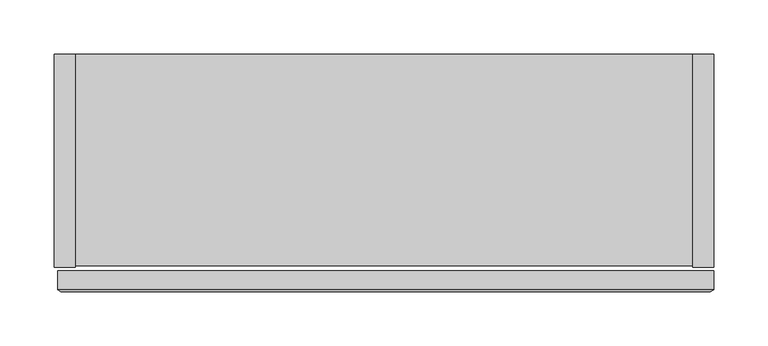
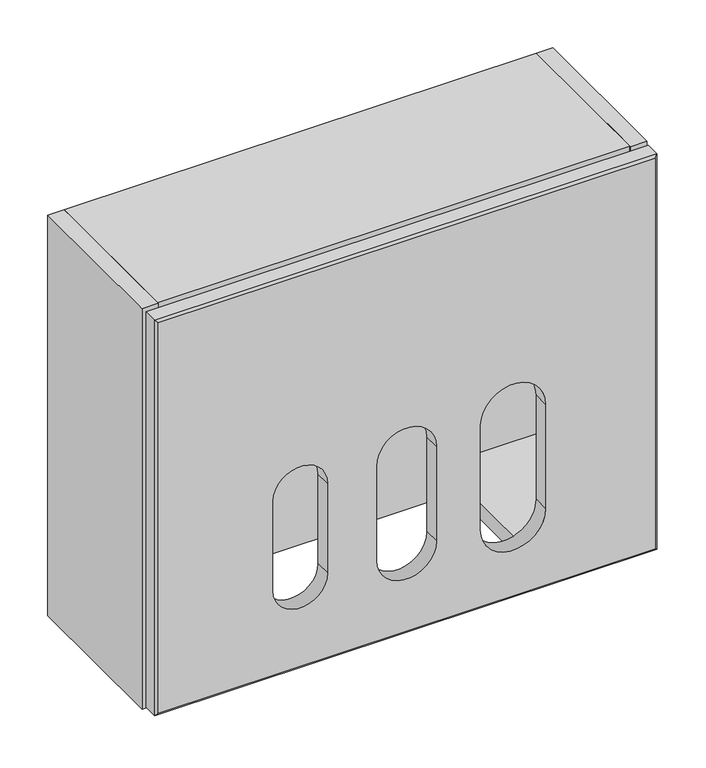
"""IFC4 building model written with IfcOpenShell, lengths in millimetres: furniture geometry."""

from ifc_helpers import new_model, si_unit, frame, origin, place, context, project, spatial, polyline, circle_curve, outline, extrude, source, transform, mapped, element, save
from ifc_brep_helpers import plane_surface, revolved_surface, advanced_brep


def furniture_a6ca8a1d(model_context):
    return source(origin(), model_context, "Body", "SolidModel", [
        extrude(outline(polyline([(-437.6428362, 90.2328644), (-311.6834, 90.2328644), (-311.6834, -85.5446699), (-437.6428362, -85.5446699), (-437.6428362, 90.2328644)])), frame((0.0, 0.0, 1630.2677211), z_axis=(0.0, 0.0, 1.0), x_axis=(1.0, 0.0, 0.0)), (0.0, 0.0, 1.0), 19.5572001),
        extrude(outline(polyline([(6.8834, 90.2328644), (132.8428362, 90.2328644), (132.8428362, -85.5446699), (6.8834, -85.5446699), (6.8834, 90.2328644)])), frame((0.0, 0.0, 1630.2677211), z_axis=(0.0, 0.0, 1.0), x_axis=(1.0, 0.0, 0.0)), (0.0, 0.0, 1.0), 19.5572001),
        advanced_brep(
        [(-450.8501575, -109.7931898, 2112.9771333), (-450.8501575, -109.7931898, 1614.7754618), (149.2248425, -109.7931898, 1614.7754618), (149.2248425, -109.7931898, 2112.9771333), (-186.8350798, -109.7931898, 1837.7978831), (-114.7902351, -109.7931898, 1837.7978831), (-114.7902351, -109.7931898, 1717.1478831), (-186.8350798, -109.7931898, 1717.1478831), (-246.3154511, -109.7931898, 1722.3458217), (-312.1772377, -109.7931898, 1722.3458217), (-312.1772377, -109.7931898, 1836.6458217), (-246.3154511, -109.7931898, 1836.6458217), (16.923821, -109.7931898, 1712.1014252), (-61.5708063, -109.7931898, 1712.1014252), (-61.5708063, -109.7931898, 1845.4514252), (16.923821, -109.7931898, 1845.4514252), (-454.0251575, -107.9688826, 2116.1485967), (-454.0251575, -107.9688826, 1611.6070869), (152.3998425, -107.9688826, 1611.6070869), (152.3998425, -107.9688826, 2116.1485967), (-114.7902351, -90.2351898, 1837.7978831), (-186.8350798, -90.2351898, 1837.7978831), (-186.8350798, -90.2351898, 1717.1478831), (-114.7902351, -90.2351898, 1717.1478831), (-312.1772377, -90.2351898, 1722.3458217), (-246.3154511, -90.2351898, 1722.3458217), (-312.1772377, -90.2350813, 1836.6458217), (-246.3154511, -90.2350813, 1836.6458217), (-61.5708063, -90.2351898, 1712.1014252), (16.923821, -90.2351898, 1712.1014252), (-61.5708063, -90.2350813, 1845.4514252), (16.923821, -90.2350813, 1845.4514252), (152.3998425, -90.2350813, 1611.6070869), (152.3998425, -90.2350813, 2116.1485967), (-454.0251575, -90.2350813, 2116.1485967), (-454.0251575, -90.2350813, 1611.6070869)],
        [
            (0, 1),
            (1, 2),
            (2, 3),
            (3, 0),
            (4, 5, circle_curve(frame((-150.8126575, -109.7931898, 1837.7978831), z_axis=(0.0, 1.0, 0.0), x_axis=(-1.0, 0.0, 0.0)), 36.0224224)),
            (5, 6),
            (6, 7, circle_curve(frame((-150.8126575, -109.7931898, 1717.1478831), z_axis=(0.0, 1.0, 0.0), x_axis=(-1.0, 0.0, 0.0)), 36.0224224)),
            (7, 4),
            (8, 9, circle_curve(frame((-279.2463444, -109.7931898, 1722.3458217), z_axis=(0.0, 1.0, 0.0), x_axis=(-1.0, 0.0, 0.0)), 32.9308933)),
            (9, 10),
            (10, 11, circle_curve(frame((-279.2463444, -109.7931898, 1836.6458217), z_axis=(0.0, 1.0, 0.0), x_axis=(-1.0, 0.0, 0.0)), 32.9308933)),
            (11, 8),
            (12, 13, circle_curve(frame((-22.3234927, -109.7931898, 1712.1014252), z_axis=(0.0, 1.0, 0.0), x_axis=(-1.0, 0.0, 0.0)), 39.2473137)),
            (13, 14),
            (14, 15, circle_curve(frame((-22.3234927, -109.7931898, 1845.4514252), z_axis=(0.0, 1.0, 0.0), x_axis=(-1.0, 0.0, 0.0)), 39.2473137)),
            (15, 12),
            (0, 16),
            (16, 17),
            (17, 1),
            (17, 18),
            (18, 2),
            (18, 19),
            (19, 3),
            (19, 16),
            (20, 5),
            (4, 21),
            (21, 20, circle_curve(frame((-150.8126575, -90.2350813, 1837.7978831), z_axis=(0.0, 1.0, 0.0), x_axis=(-1.0, 0.0, 0.0)), 36.0224224)),
            (7, 22),
            (22, 21),
            (6, 23),
            (23, 22, circle_curve(frame((-150.8126575, -90.2350813, 1717.1478831), z_axis=(0.0, 1.0, 0.0), x_axis=(-1.0, 0.0, 0.0)), 36.0224224)),
            (20, 23),
            (24, 9),
            (8, 25),
            (25, 24, circle_curve(frame((-279.2463444, -90.2350813, 1722.3458217), z_axis=(0.0, 1.0, 0.0), x_axis=(-1.0, 0.0, 0.0)), 32.9308933)),
            (24, 26),
            (26, 10),
            (26, 27, circle_curve(frame((-279.2463444, -90.2350813, 1836.6458217), z_axis=(0.0, 1.0, 0.0), x_axis=(-1.0, 0.0, 0.0)), 32.9308933)),
            (27, 11),
            (27, 25),
            (28, 13),
            (12, 29),
            (29, 28, circle_curve(frame((-22.3234927, -90.2350813, 1712.1014252), z_axis=(0.0, 1.0, 0.0), x_axis=(-1.0, 0.0, 0.0)), 39.2473137)),
            (28, 30),
            (30, 14),
            (30, 31, circle_curve(frame((-22.3234927, -90.2350813, 1845.4514252), z_axis=(0.0, 1.0, 0.0), x_axis=(-1.0, 0.0, 0.0)), 39.2473137)),
            (31, 15),
            (31, 29),
            (18, 32),
            (32, 33),
            (33, 19),
            (16, 34),
            (34, 35),
            (35, 17),
            (35, 32),
            (34, 33),
        ],
        [
            plane_surface(frame((-150.8126575, -109.7931898, 1863.8762976), z_axis=(0.0, -1.0, 0.0), x_axis=(0.0, 0.0, -1.0))),
            plane_surface(frame((-454.0251575, -107.9688826, 1863.8778418), z_axis=(-0.49820065227624866, -0.8670617683138384, 0.0), x_axis=(0.0, 0.0, -1.0))),
            plane_surface(frame((-150.8126575, -107.9688826, 1611.6070869), z_axis=(0.0, -0.8666116478902491, -0.4989832178950981), x_axis=(1.0, 0.0, 0.0))),
            plane_surface(frame((152.3998425, -107.9688826, 1863.8778418), z_axis=(0.4982006522763809, -0.8670617683137625, 0.0), x_axis=(0.0, 0.0, 1.0))),
            plane_surface(frame((-150.8126575, -107.9688826, 2116.1485967), z_axis=(0.0, -0.866821748388407, 0.4986181470031605), x_axis=(-1.0, 0.0, 0.0))),
            revolved_surface(polyline([(-186.8350799, -90.2350813, 1837.7978831), (-186.8350799, -109.7931898, 1837.7978831)]), (-150.8126575, -109.7931898, 1837.7978831), (0.0, 1.0, 0.0)),
            plane_surface(frame((-186.8350798, -90.2351898, 1717.1478831), z_axis=(1.0, 0.0, 0.0), x_axis=(0.0, -1.0, 0.0))),
            revolved_surface(polyline([(-186.8350799, -90.2350813, 1717.1478831), (-186.8350799, -109.7931898, 1717.1478831)]), (-150.8126575, -109.7931898, 1717.1478831), (0.0, 1.0, 0.0)),
            plane_surface(frame((-114.7902351, -90.2351898, 1837.7978831), z_axis=(-1.0, 0.0, 0.0), x_axis=(0.0, -1.0, 0.0))),
            revolved_surface(polyline([(-312.1772377, -90.2350813, 1722.3458217), (-312.1772377, -109.7931898, 1722.3458217)]), (-279.2463444, -90.2351898, 1722.3458217), (0.0, 1.0, 0.0)),
            plane_surface(frame((-312.1772377, -90.2351898, 1722.3458217), z_axis=(1.0, 0.0, 0.0), x_axis=(0.0, -1.0, 0.0))),
            revolved_surface(polyline([(-312.1772377, -90.2350813, 1836.6458217), (-312.1772377, -109.7931898, 1836.6458217)]), (-279.2463444, -90.2351898, 1836.6458217), (0.0, 1.0, 0.0)),
            plane_surface(frame((-246.3154511, -90.2351898, 1836.6458217), z_axis=(-1.0, 0.0, 0.0), x_axis=(0.0, -1.0, 0.0))),
            revolved_surface(polyline([(-61.570806399999995, -90.2350813, 1712.1014252), (-61.570806399999995, -109.7931898, 1712.1014252)]), (-22.3234927, -90.2351898, 1712.1014252), (0.0, 1.0, 0.0)),
            plane_surface(frame((-61.5708063, -90.2351898, 1712.1014252), z_axis=(1.0, 0.0, 0.0), x_axis=(0.0, -1.0, 0.0))),
            revolved_surface(polyline([(-61.570806399999995, -90.2350813, 1845.4514252), (-61.570806399999995, -109.7931898, 1845.4514252)]), (-22.3234927, -90.2351898, 1845.4514252), (0.0, 1.0, 0.0)),
            plane_surface(frame((16.923821, -90.2351898, 1845.4514252), z_axis=(-1.0, 0.0, 0.0), x_axis=(0.0, -1.0, 0.0))),
            plane_surface(frame((152.3998425, -107.9688826, 2116.1485967), z_axis=(1.0, 0.0, 0.0), x_axis=(0.0, 0.0, -1.0))),
            plane_surface(frame((-454.0251575, -107.9688826, 2116.1485967), z_axis=(-1.0, 0.0, 0.0), x_axis=(0.0, 0.0, 1.0))),
            plane_surface(frame((152.3998425, -107.9688826, 1611.6070869), z_axis=(0.0, 0.0, -1.0), x_axis=(-1.0, 0.0, 0.0))),
            plane_surface(frame((152.3998425, -90.2350813, 1611.6070869), z_axis=(0.0, 1.0, 0.0), x_axis=(-1.0, 0.0, 0.0))),
            plane_surface(frame((152.3998425, -90.2350813, 2116.1485967), z_axis=(0.0, 0.0, 1.0), x_axis=(-1.0, 0.0, 0.0))),
        ],
        [
            (0, [[1, 2, 3, 4], [5, 6, 7, 8], [9, 10, 11, 12], [13, 14, 15, 16]]),
            (1, [[-1, 17, 18, 19]]),
            (2, [[-2, -19, 20, 21]]),
            (3, [[-3, -21, 22, 23]]),
            (4, [[-4, -23, 24, -17]]),
            (5, [[25, -5, 26, 27]]),
            (6, [[-26, -8, 28, 29]]),
            (7, [[-28, -7, 30, 31]]),
            (8, [[-25, 32, -30, -6]]),
            (9, [[33, -9, 34, 35]]),
            (10, [[-33, 36, 37, -10]]),
            (11, [[-37, 38, 39, -11]]),
            (12, [[-34, -12, -39, 40]]),
            (13, [[41, -13, 42, 43]]),
            (14, [[-41, 44, 45, -14]]),
            (15, [[-45, 46, 47, -15]]),
            (16, [[-42, -16, -47, 48]]),
            (17, [[49, 50, 51, -22]]),
            (18, [[52, 53, 54, -18]]),
            (19, [[-49, -20, -54, 55]]),
            (20, [[-50, -55, -53, 56], [-27, -29, -31, -32], [-35, -40, -38, -36], [-43, -48, -46, -44]]),
            (21, [[-51, -56, -52, -24]]),
        ],
    ),
        extrude(outline(polyline([(132.8428362, 109.7898102), (132.8428362, 90.2328644), (-437.6428362, 90.2328644), (-437.6428362, 109.7898102), (132.8428362, 109.7898102)])), frame((0.0, 0.0, 1608.424614), z_axis=(0.0, 0.0, 1.0), x_axis=(1.0, 0.0, 0.0)), (0.0, 0.0, 1.0), 491.3434056),
        extrude(outline(polyline([(-457.2, 109.7898102), (-437.6428362, 109.7898102), (-437.6428362, -87.0689955), (-457.2, -87.0689955), (-457.2, 109.7898102)])), frame((0.0, 0.0, 1608.424614), z_axis=(0.0, 0.0, 1.0), x_axis=(1.0, 0.0, 0.0)), (0.0, 0.0, 1.0), 510.9005875),
        extrude(outline(polyline([(132.8428362, 109.7898102), (152.4, 109.7898102), (152.4, -87.0689955), (132.8428362, -87.0689955), (132.8428362, 109.7898102)])), frame((0.0, 0.0, 1608.424614), z_axis=(0.0, 0.0, 1.0), x_axis=(1.0, 0.0, 0.0)), (0.0, 0.0, 1.0), 510.9005875),
        extrude(outline(polyline([(132.8428362, 109.7898102), (132.8428362, -85.5446699), (-437.6428362, -85.5446699), (-437.6428362, 109.7898102), (132.8428362, 109.7898102)])), frame((0.0, 0.0, 2099.7680195), z_axis=(0.0, 0.0, 1.0), x_axis=(1.0, 0.0, 0.0)), (0.0, 0.0, 1.0), 19.557182),
    ])


if __name__ == "__main__":
    model = new_model("IFC4")
    model_context = context("Model", 3, world=origin())
    ifc_project = project(units=[si_unit("LENGTHUNIT", "METRE", prefix="MILLI")], contexts=[model_context])
    site = spatial("IfcSite", under=ifc_project)
    building = spatial("IfcBuilding", under=site)
    placement = place(None, origin())
    furniture_shape = furniture_a6ca8a1d(model_context)
    element("IfcFurniture", 1, at=placement, inside=building, context=model_context, shape_type="MappedRepresentation", body=[
        mapped(furniture_shape, transform((0.0, 0.0, 0.0), x_axis=(1.0, 0.0, 0.0), y_axis=(0.0, 1.0, 0.0), z_axis=(0.0, 0.0, 1.0))),
    ])
    save(model, "model.ifc")
